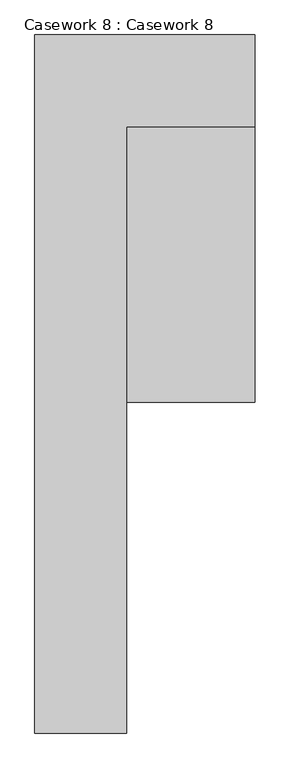
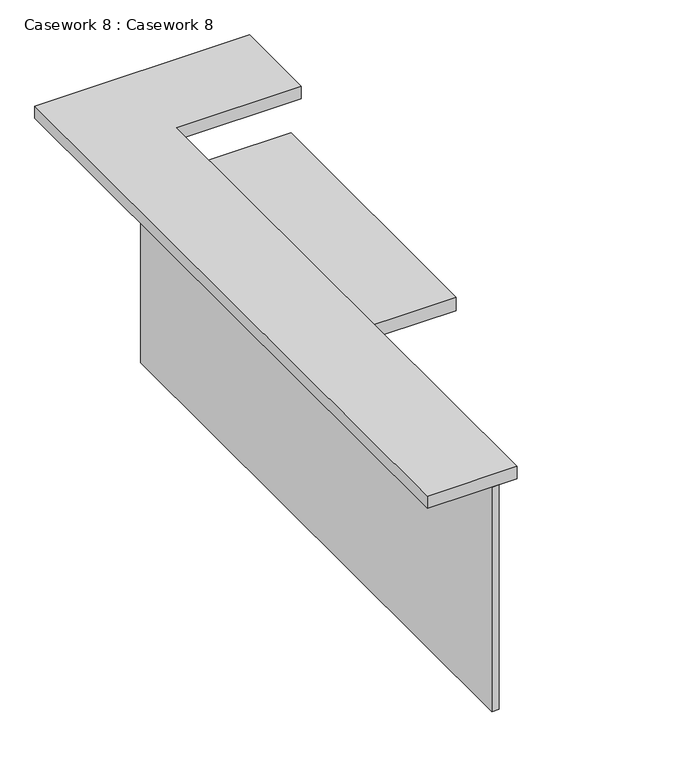
"""IFC4 building model written with IfcOpenShell, lengths in millimetres: furniture geometry, Casework 8 : Casework 8."""

from ifc_helpers import new_model, si_unit, frame, origin, place, context, project, spatial, polyline, outline, extrude, source, transform, mapped, element, save


def casework_8_casework_8_7efe0bb9(model_context):
    return source(origin(), model_context, "Body", "SweptSolid", [
        extrude(outline(polyline([(3008.6326638, -377.4064015), (2602.2326638, -377.4064015), (2602.2326638, 435.4935985), (3008.6326638, 435.4935985), (3008.6326638, -377.4064015)])), frame((0.0, 0.0, 4510.0), z_axis=(0.0, 0.0, 1.0), x_axis=(1.0, 0.0, 0.0)), (0.0, 0.0, 1.0), 40.0),
        extrude(outline(polyline([(2602.2326638, -1291.8064015), (2582.1904763, -1291.8064015), (2582.1904763, 435.4935985), (2602.2326638, 435.4935985), (2602.2326638, -1291.8064015)])), frame((0.0, 0.0, 4010.0), z_axis=(0.0, 0.0, 1.0), x_axis=(1.0, 0.0, 0.0)), (0.0, 0.0, 1.0), 674.0146438),
        extrude(outline(polyline([(2399.0326638, 638.6935985), (3008.6326638, 638.6935985), (3008.6326638, 384.6935985), (2653.0326638, 384.6935985), (2653.0326638, -1291.8064015), (2399.0326638, -1291.8064015), (2399.0326638, 638.6935985)])), frame((0.0, 0.0, 4684.0146438), z_axis=(0.0, 0.0, 1.0), x_axis=(1.0, 0.0, 0.0)), (0.0, 0.0, 1.0), 37.0853239),
    ])


if __name__ == "__main__":
    model = new_model("IFC4")
    model_context = context("Model", 3, world=origin())
    ifc_project = project(units=[si_unit("LENGTHUNIT", "METRE", prefix="MILLI")], contexts=[model_context])
    site = spatial("IfcSite", under=ifc_project)
    building = spatial("IfcBuilding", under=site)
    placement = place(None, origin())
    casework_8_casework_8_shape = casework_8_casework_8_7efe0bb9(model_context)
    element("IfcFurniture", 1, ObjectType="Casework 8 : Casework 8", at=placement, inside=building, context=model_context, shape_type="MappedRepresentation", body=[
        mapped(casework_8_casework_8_shape, transform((0.0, 0.0, 0.0), x_axis=(1.0, 0.0, 0.0), y_axis=(0.0, 1.0, 0.0), z_axis=(0.0, 0.0, 1.0))),
    ])
    save(model, "model.ifc")
